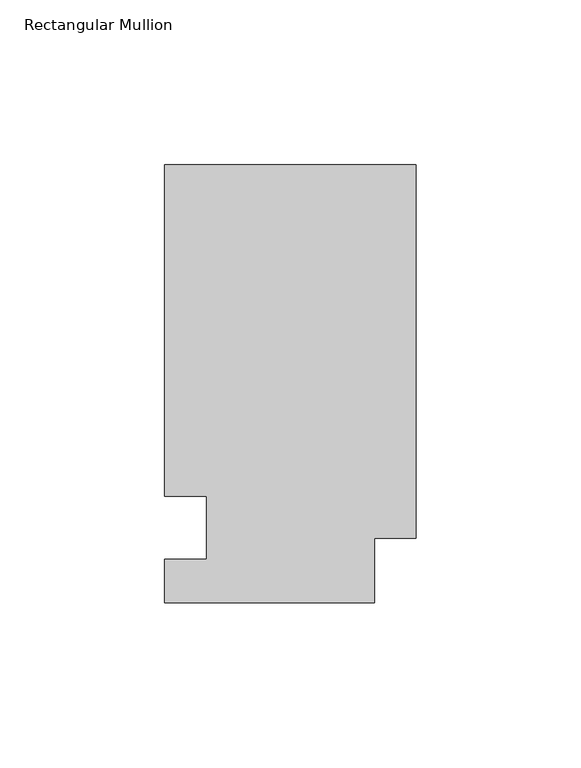
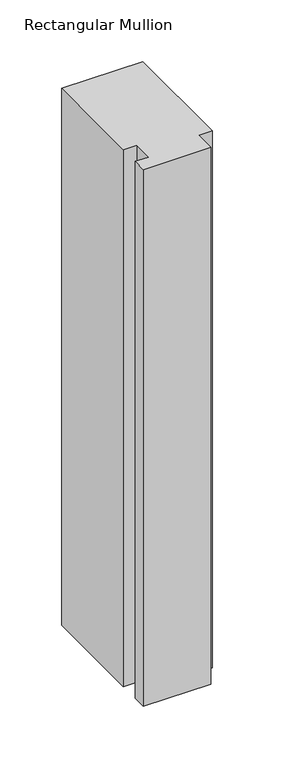
"""IFC4 building model written with IfcOpenShell, lengths in millimetres: member geometry, Rectangular Mullion."""

from ifc_helpers import new_model, si_unit, frame, origin, place, context, project, spatial, polyline, outline, extrude, source, transform, mapped, element, save


def rectangular_mullion_97fe78a5(model_context):
    return source(origin(), model_context, "Body", "SweptSolid", [
        extrude(outline(polyline([(0.0, 132.6522937), (0.0, 19.5460937), (-12.7, 19.5460938), (-12.7, 0.0134938), (-76.2, 0.0134938), (-76.2, 13.1960938), (-63.5, 13.1960937), (-63.5, 32.2460937), (-76.2, 32.2460938), (-76.2, 132.6522938), (0.0, 132.6522937)])), frame((0.0, 0.0, -532.4215822), z_axis=(0.0, 0.0, 1.0), x_axis=(1.0, 0.0, 0.0)), (0.0, 0.0, 1.0), 532.4215822),
    ])


if __name__ == "__main__":
    model = new_model("IFC4")
    model_context = context("Model", 3, world=origin())
    ifc_project = project(units=[si_unit("LENGTHUNIT", "METRE", prefix="MILLI")], contexts=[model_context])
    site = spatial("IfcSite", under=ifc_project)
    building = spatial("IfcBuilding", under=site)
    placement = place(None, origin())
    rectangular_mullion_shape = rectangular_mullion_97fe78a5(model_context)
    element("IfcMember", 1, ObjectType="Rectangular Mullion", at=placement, inside=building, context=model_context, shape_type="MappedRepresentation", body=[
        mapped(rectangular_mullion_shape, transform((0.0, 0.0, 0.0), x_axis=(1.0, 0.0, 0.0), y_axis=(0.0, 1.0, 0.0), z_axis=(0.0, 0.0, 1.0))),
    ])
    save(model, "model.ifc")
